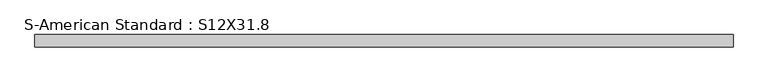
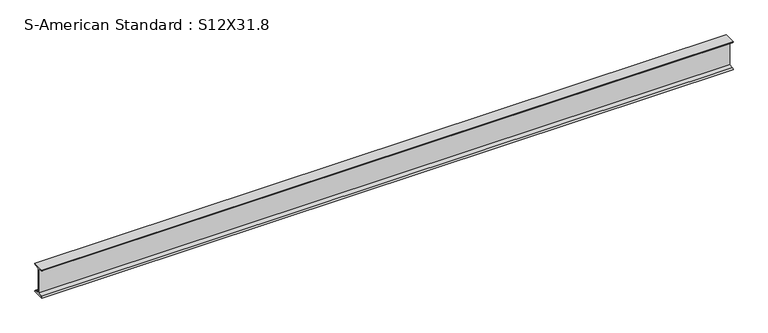
"""IFC4 building model written with IfcOpenShell, lengths in millimetres: beam geometry, S-American Standard : S12X31.8."""

from ifc_helpers import new_model, si_unit, point, frame, frame_2d, origin, place, context, project, spatial, polyline, circle_curve, trimmed, segment, composite_curve, outline, extrude, source, transform, mapped, element, save


def s_american_standard_s12x31_8_a561a922(model_context):
    return source(origin(), model_context, "Body", "SweptSolid", [
        extrude(outline(composite_curve([segment(polyline([(-63.5, 152.4), (63.5, 152.4)]), True, "CONTINUOUS"), segment(trimmed(circle_curve(frame_2d((49.7, 152.4)), 13.8), [point((63.5, 152.4))], [point((49.7, 138.6))], False, "CARTESIAN"), True, "CONTINUOUS"), segment(polyline([(49.7, 138.6), (4.45, 131.4331041), (4.45, -131.4331041), (49.7, -138.6)]), True, "CONTINUOUS"), segment(trimmed(circle_curve(frame_2d((49.7, -152.4)), 13.8), [point((49.7, -138.6))], [point((63.5, -152.4))], False, "CARTESIAN"), True, "CONTINUOUS"), segment(polyline([(63.5, -152.4), (-63.5, -152.4)]), True, "CONTINUOUS"), segment(trimmed(circle_curve(frame_2d((-49.7, -152.4)), 13.8), [point((-63.5, -152.4))], [point((-49.7, -138.6))], False, "CARTESIAN"), True, "CONTINUOUS"), segment(polyline([(-49.7, -138.6), (-4.45, -131.4331041), (-4.45, 131.4331041), (-49.7, 138.6)]), True, "CONTINUOUS"), segment(trimmed(circle_curve(frame_2d((-49.7, 152.4)), 13.8), [point((-49.7, 138.6))], [point((-63.5, 152.4))], False, "CARTESIAN"), True, "CONTINUOUS")], self_intersect=False)), frame((-2867.9347246, 0.0, 0.0), z_axis=(1.0, 0.0, 0.0), x_axis=(0.0, 1.0, 0.0)), (0.0, 0.0, 1.0), 7176.5040464),
    ])


if __name__ == "__main__":
    model = new_model("IFC4")
    model_context = context("Model", 3, world=origin())
    ifc_project = project(units=[si_unit("LENGTHUNIT", "METRE", prefix="MILLI")], contexts=[model_context])
    site = spatial("IfcSite", under=ifc_project)
    building = spatial("IfcBuilding", under=site)
    placement = place(None, origin())
    s_american_standard_s12x31_8_shape = s_american_standard_s12x31_8_a561a922(model_context)
    element("IfcBeam", 1, ObjectType="S-American Standard : S12X31.8", at=placement, inside=building, context=model_context, shape_type="MappedRepresentation", body=[
        mapped(s_american_standard_s12x31_8_shape, transform((0.0, 0.0, 0.0), x_axis=(1.0, 0.0, 0.0), y_axis=(0.0, 1.0, 0.0), z_axis=(0.0, 0.0, 1.0))),
    ])
    save(model, "model.ifc")
